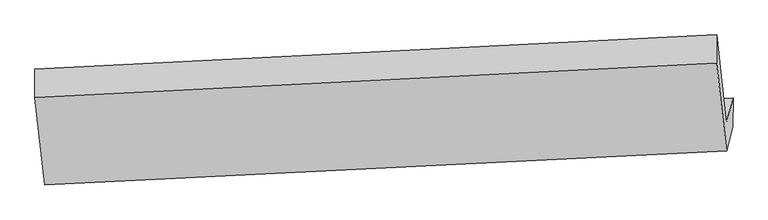
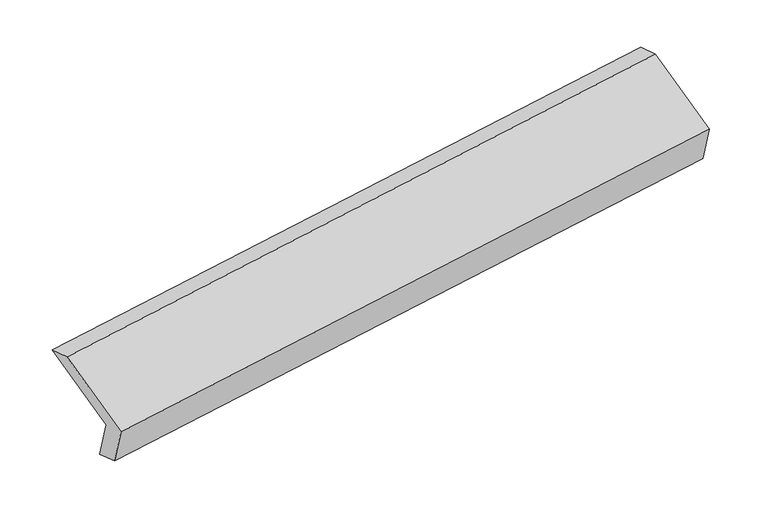
"""IFC4 building model written with IfcOpenShell, lengths in millimetres: proxy geometry."""

from ifc_helpers import new_model, si_unit, origin, place, context, project, spatial, faceted_brep, source, transform, mapped, element, save


def generic_models_77bd193c(model_context):
    return source(origin(), model_context, "Body", "Brep", [
        faceted_brep([(-5163.5184342, -1617.1836476, 1219.1302707), (-5208.2102227, -1783.134603, 1577.4569147), (-498.6864475, -1547.1261772, 2274.1476818), (-452.8700838, -1376.9994142, 1906.8044995), (-5164.2791175, -1818.0713793, 1287.8978662), (-453.6307671, -1577.887146, 1975.572095), (-5207.8463309, -1979.8465271, 1637.207972), (-498.3225557, -1743.8381013, 2333.8987391), (-5275.7967424, -1372.4992286, 1910.0122432), (-566.2729672, -1136.4908028, 2606.7030103), (-5276.1606342, -1175.7873045, 1850.2611859), (-566.636859, -939.7788787, 2546.951953)], [[[0, 1, 2, 3]], [[4, 0, 3, 5]], [[6, 4, 5, 7]], [[8, 6, 7, 9]], [[10, 8, 9, 11]], [[1, 10, 11, 2]], [[9, 7, 5, 3, 2, 11]], [[1, 0, 4, 6, 8, 10]]]),
    ])


if __name__ == "__main__":
    model = new_model("IFC4")
    model_context = context("Model", 3, world=origin())
    ifc_project = project(units=[si_unit("LENGTHUNIT", "METRE", prefix="MILLI")], contexts=[model_context])
    site = spatial("IfcSite", under=ifc_project)
    building = spatial("IfcBuilding", under=site)
    placement = place(None, origin())
    generic_models_shape = generic_models_77bd193c(model_context)
    element("IfcBuildingElementProxy", 1, Name="Generic Models", at=placement, inside=building, context=model_context, shape_type="MappedRepresentation", body=[
        mapped(generic_models_shape, transform((0.0, 0.0, 0.0), x_axis=(1.0, 0.0, 0.0), y_axis=(0.0, 1.0, 0.0), z_axis=(0.0, 0.0, 1.0))),
    ])
    save(model, "model.ifc")
